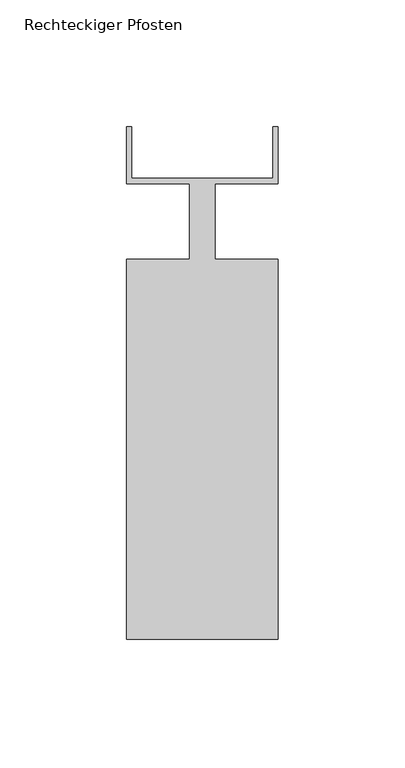
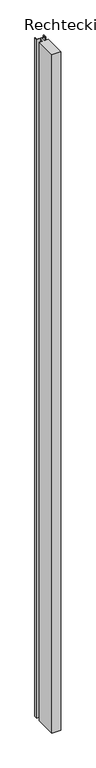
"""IFC4 building model written with IfcOpenShell, lengths in millimetres: member geometry, Rechteckiger Pfosten."""

from ifc_helpers import new_model, si_unit, frame, origin, place, context, project, spatial, polyline, outline, extrude, source, transform, mapped, element, save


def rechteckiger_pfosten_9dd6a209(model_context):
    return source(origin(), model_context, "Body", "SweptSolid", [
        extrude(outline(polyline([(28.0, 37.5), (30.0, 37.5), (30.0, 15.0), (5.0, 15.0), (5.0, -15.0), (30.0, -15.0), (30.0, -165.0), (-30.0, -165.0), (-30.0, -15.0), (-5.0, -15.0), (-5.0, 15.0), (-30.0, 15.0), (-30.0, 37.5), (-28.0, 37.5), (-28.0, 17.0), (28.0, 17.0), (28.0, 37.5)])), frame((0.0, 0.0, -4909.9999995), z_axis=(0.0, 0.0, 1.0), x_axis=(1.0, 0.0, 0.0)), (0.0, 0.0, 1.0), 4909.9999995),
    ])


if __name__ == "__main__":
    model = new_model("IFC4")
    model_context = context("Model", 3, world=origin())
    ifc_project = project(units=[si_unit("LENGTHUNIT", "METRE", prefix="MILLI")], contexts=[model_context])
    site = spatial("IfcSite", under=ifc_project)
    building = spatial("IfcBuilding", under=site)
    placement = place(None, origin())
    rechteckiger_pfosten_shape = rechteckiger_pfosten_9dd6a209(model_context)
    element("IfcMember", 1, ObjectType="Rechteckiger Pfosten", at=placement, inside=building, context=model_context, shape_type="MappedRepresentation", body=[
        mapped(rechteckiger_pfosten_shape, transform((0.0, 0.0, 0.0), x_axis=(1.0, 0.0, 0.0), y_axis=(0.0, 1.0, 0.0), z_axis=(0.0, 0.0, 1.0))),
    ])
    save(model, "model.ifc")
